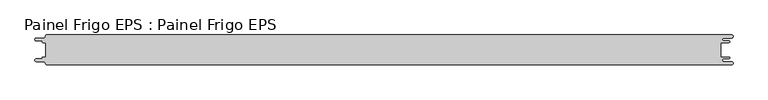
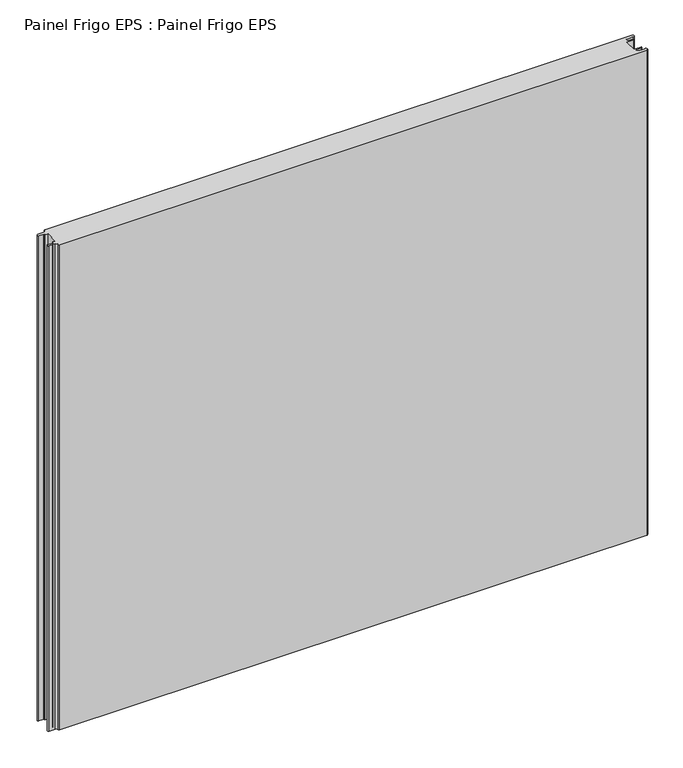
"""IFC4 building model written with IfcOpenShell, lengths in millimetres: proxy geometry, Painel Frigo EPS : Painel Frigo EPS."""

from ifc_helpers import new_model, si_unit, frame, origin, place, context, project, spatial, polyline, circle_curve, source, transform, mapped, element, save
from ifc_brep_helpers import plane_surface, cylinder_surface, revolved_surface, advanced_brep


def painel_frigo_eps_painel_frigo_eps_a2cb386f(model_context):
    return source(origin(), model_context, "Body", "AdvancedBrep", [
        advanced_brep(
        [(-579.5093748, -12.3, 1000.0), (-580.1093748, -12.9, 1000.0), (-580.1093748, -13.7085184, 1000.0), (-581.5093751, -15.1085187, 1000.0), (-590.4875, -15.1085187, 1000.0), (-590.4875, -19.5085185, 1000.0), (-578.471875, -19.5085185, 1000.0), (-574.921875, -23.0585185, 1000.0), (-572.971875, -25.0, 1000.0), (572.284375, -25.0, 1000.0), (572.284375, -19.725, 1000.0), (559.378125, -19.725, 1000.0), (559.378125, -14.875, 1000.0), (568.0406253, -14.875, 1000.0), (568.0406253, -12.3, 1000.0), (554.1906253, -12.3, 1000.0), (554.1906253, 12.3, 1000.0), (568.0406253, 12.3, 1000.0), (568.0406253, 14.875, 1000.0), (559.378125, 14.875, 1000.0), (559.378125, 19.725, 1000.0), (572.284375, 19.725, 1000.0), (572.284375, 25.0, 1000.0), (-572.971875, 25.0, 1000.0), (-574.921875, 23.05, 1000.0), (-578.471875, 19.5085185, 1000.0), (-590.4875, 19.5085185, 1000.0), (-590.4875, 15.1085185, 1000.0), (-581.5093753, 15.1085185, 1000.0), (-580.1093753, 13.7085185, 1000.0), (-580.1093753, 12.9, 1000.0), (-579.5093748, 12.2999995, 1000.0), (-574.2218362, 12.2999995, 1000.0), (-574.2218362, -12.3, 1000.0), (-579.5093748, -12.3, 0.0), (-574.2218362, -12.3, 0.0), (-574.2218362, 12.2999995, 0.0), (-579.5093748, 12.2999995, 0.0), (-580.1093753, 12.9, 0.0), (-580.1093753, 13.7085185, 0.0), (-581.5093753, 15.1085185, 0.0), (-590.4875, 15.1085185, 0.0), (-590.4875, 19.5085185, 0.0), (-578.471875, 19.5085185, 0.0), (-574.921875, 23.0585185, 0.0), (-572.971875, 25.0, 0.0), (572.284375, 25.0, 0.0), (572.284375, 19.725, 0.0), (559.378125, 19.725, 0.0), (559.378125, 14.875, 0.0), (568.0406253, 14.875, 0.0), (568.0406253, 12.3, 0.0), (554.1906253, 12.3, 0.0), (554.1906253, -12.3, 0.0), (568.0406253, -12.3, 0.0), (568.0406253, -14.875, 0.0), (559.378125, -14.875, 0.0), (559.378125, -19.725, 0.0), (572.284375, -19.725, 0.0), (572.284375, -25.0, 0.0), (-572.971875, -25.0, 0.0), (-574.921875, -23.05, 0.0), (-578.471875, -19.5085185, 0.0), (-590.4875, -19.5085185, 0.0), (-590.4875, -15.1085187, 0.0), (-581.5093751, -15.1085187, 0.0), (-580.1093748, -13.7085184, 0.0), (-580.1093748, -12.9, 0.0)],
        [
            (0, 1, circle_curve(frame((-579.5093748, -12.9, 1000.0), z_axis=(0.0, 0.0, 1.0), x_axis=(1.0, 0.0, 0.0)), 0.6)),
            (1, 2),
            (2, 3, circle_curve(frame((-581.5093751, -13.7085184, 1000.0), z_axis=(0.0, 0.0, -1.0), x_axis=(1.0, 0.0, 0.0)), 1.4000003)),
            (3, 4),
            (4, 5, circle_curve(frame((-590.4875, -17.3085186, 1000.0), z_axis=(0.0, 0.0, 1.0), x_axis=(1.0, 0.0, 0.0)), 2.1999999)),
            (5, 6),
            (6, 7, circle_curve(frame((-578.471875, -23.0585185, 1000.0), z_axis=(0.0, 0.0, -1.0), x_axis=(1.0, 0.0, 0.0)), 3.55)),
            (7, 8, circle_curve(frame((-572.971875, -23.05, 1000.0), z_axis=(0.0, 0.0, 1.0), x_axis=(1.0, 0.0, 0.0)), 1.95)),
            (8, 9),
            (9, 10, circle_curve(frame((572.284375, -22.3625, 1000.0), z_axis=(0.0, 0.0, 1.0), x_axis=(1.0, 0.0, 0.0)), 2.6375)),
            (10, 11),
            (11, 12, circle_curve(frame((559.378125, -17.3, 1000.0), z_axis=(0.0, 0.0, -1.0), x_axis=(1.0, 0.0, 0.0)), 2.425)),
            (12, 13),
            (13, 14, circle_curve(frame((568.0406253, -13.5875, 1000.0), z_axis=(0.0, 0.0, 1.0), x_axis=(1.0, 0.0, 0.0)), 1.2875)),
            (14, 15),
            (15, 16),
            (16, 17),
            (17, 18, circle_curve(frame((568.0406253, 13.5875, 1000.0), z_axis=(0.0, 0.0, 1.0), x_axis=(1.0, 0.0, 0.0)), 1.2875)),
            (18, 19),
            (19, 20, circle_curve(frame((559.378125, 17.3, 1000.0), z_axis=(0.0, 0.0, -1.0), x_axis=(1.0, 0.0, 0.0)), 2.425)),
            (20, 21),
            (21, 22, circle_curve(frame((572.284375, 22.3625, 1000.0), z_axis=(0.0, 0.0, 1.0), x_axis=(1.0, 0.0, 0.0)), 2.6375)),
            (22, 23),
            (23, 24, circle_curve(frame((-572.971875, 23.05, 1000.0), z_axis=(0.0, 0.0, 1.0), x_axis=(1.0, 0.0, 0.0)), 1.95)),
            (24, 25, circle_curve(frame((-578.471875, 23.0585185, 1000.0), z_axis=(0.0, 0.0, -1.0), x_axis=(1.0, 0.0, 0.0)), 3.55)),
            (25, 26),
            (26, 27, circle_curve(frame((-590.4875, 17.3085185, 1000.0), z_axis=(0.0, 0.0, 1.0), x_axis=(1.0, 0.0, 0.0)), 2.2)),
            (27, 28),
            (28, 29, circle_curve(frame((-581.5093753, 13.7085185, 1000.0), z_axis=(0.0, 0.0, -1.0), x_axis=(1.0, 0.0, 0.0)), 1.4)),
            (29, 30),
            (30, 31, circle_curve(frame((-579.5093748, 12.9, 1000.0), z_axis=(0.0, 0.0, 1.0), x_axis=(1.0, 0.0, 0.0)), 0.6000005)),
            (31, 32),
            (32, 33),
            (33, 0),
            (34, 35),
            (35, 36),
            (36, 37),
            (37, 38, circle_curve(frame((-579.5093748, 12.9, 0.0), z_axis=(0.0, 0.0, -1.0), x_axis=(1.0, 0.0, 0.0)), 0.6000005)),
            (38, 39),
            (39, 40, circle_curve(frame((-581.5093753, 13.7085185, 0.0), z_axis=(0.0, 0.0, 1.0), x_axis=(1.0, 0.0, 0.0)), 1.4)),
            (40, 41),
            (41, 42, circle_curve(frame((-590.4875, 17.3085185, 0.0), z_axis=(0.0, 0.0, -1.0), x_axis=(1.0, 0.0, 0.0)), 2.2)),
            (42, 43),
            (43, 44, circle_curve(frame((-578.471875, 23.0585185, 0.0), z_axis=(0.0, 0.0, 1.0), x_axis=(1.0, 0.0, 0.0)), 3.55)),
            (44, 45, circle_curve(frame((-572.971875, 23.05, 0.0), z_axis=(0.0, 0.0, -1.0), x_axis=(1.0, 0.0, 0.0)), 1.95)),
            (45, 46),
            (46, 47, circle_curve(frame((572.284375, 22.3625, 0.0), z_axis=(0.0, 0.0, -1.0), x_axis=(1.0, 0.0, 0.0)), 2.6375)),
            (47, 48),
            (48, 49, circle_curve(frame((559.378125, 17.3, 0.0), z_axis=(0.0, 0.0, 1.0), x_axis=(1.0, 0.0, 0.0)), 2.425)),
            (49, 50),
            (50, 51, circle_curve(frame((568.0406253, 13.5875, 0.0), z_axis=(0.0, 0.0, -1.0), x_axis=(1.0, 0.0, 0.0)), 1.2875)),
            (51, 52),
            (52, 53),
            (53, 54),
            (54, 55, circle_curve(frame((568.0406253, -13.5875, 0.0), z_axis=(0.0, 0.0, -1.0), x_axis=(1.0, 0.0, 0.0)), 1.2875)),
            (55, 56),
            (56, 57, circle_curve(frame((559.378125, -17.3, 0.0), z_axis=(0.0, 0.0, 1.0), x_axis=(1.0, 0.0, 0.0)), 2.425)),
            (57, 58),
            (58, 59, circle_curve(frame((572.284375, -22.3625, 0.0), z_axis=(0.0, 0.0, -1.0), x_axis=(1.0, 0.0, 0.0)), 2.6375)),
            (59, 60),
            (60, 61, circle_curve(frame((-572.971875, -23.05, 0.0), z_axis=(0.0, 0.0, -1.0), x_axis=(1.0, 0.0, 0.0)), 1.95)),
            (61, 62, circle_curve(frame((-578.471875, -23.0585185, 0.0), z_axis=(0.0, 0.0, 1.0), x_axis=(1.0, 0.0, 0.0)), 3.55)),
            (62, 63),
            (63, 64, circle_curve(frame((-590.4875, -17.3085186, 0.0), z_axis=(0.0, 0.0, -1.0), x_axis=(1.0, 0.0, 0.0)), 2.1999999)),
            (64, 65),
            (65, 66, circle_curve(frame((-581.5093751, -13.7085184, 0.0), z_axis=(0.0, 0.0, 1.0), x_axis=(1.0, 0.0, 0.0)), 1.4000003)),
            (66, 67),
            (67, 34, circle_curve(frame((-579.5093748, -12.9, 0.0), z_axis=(0.0, 0.0, -1.0), x_axis=(1.0, 0.0, 0.0)), 0.6)),
            (22, 46),
            (45, 23),
            (8, 60),
            (59, 9),
            (33, 35),
            (34, 0),
            (32, 36),
            (31, 37),
            (30, 38),
            (29, 39),
            (28, 40),
            (27, 41),
            (26, 42),
            (25, 43),
            (24, 44),
            (15, 53),
            (52, 16),
            (14, 54),
            (13, 55),
            (12, 56),
            (11, 57),
            (10, 58),
            (7, 61),
            (6, 62),
            (5, 63),
            (4, 64),
            (3, 65),
            (2, 66),
            (1, 67),
            (21, 47),
            (20, 48),
            (19, 49),
            (18, 50),
            (17, 51),
        ],
        [
            plane_surface(frame((-574.2218362, -12.3, 1000.0), z_axis=(0.0, 0.0, 1.0), x_axis=(1.0, 0.0, 0.0))),
            plane_surface(frame((-574.2218362, -12.3, 0.0), z_axis=(0.0, 0.0, -1.0), x_axis=(-1.0, 0.0, 0.0))),
            plane_surface(frame((-572.971875, 25.0, 1000.0), z_axis=(0.0, 1.0, 0.0), x_axis=(0.0, 0.0, -1.0))),
            plane_surface(frame((572.284375, -25.0, 1000.0), z_axis=(0.0, -1.0, 0.0), x_axis=(0.0, 0.0, -1.0))),
            plane_surface(frame((-579.5093748, -12.3, 1000.0), z_axis=(0.0, 1.0, 0.0), x_axis=(0.0, 0.0, -1.0))),
            plane_surface(frame((-574.2218362, -12.3, 1000.0), z_axis=(-1.0, 0.0, 0.0), x_axis=(0.0, 0.0, -1.0))),
            plane_surface(frame((-574.2218362, 12.2999995, 1000.0), z_axis=(0.0, -1.0, 0.0), x_axis=(0.0, 0.0, -1.0))),
            cylinder_surface(frame((-579.5093748, 12.9, 0.0), z_axis=(0.0, 0.0, 1.0), x_axis=(1.0, 0.0, 0.0)), 0.6000005),
            plane_surface(frame((-580.1093753, 12.9, 1000.0), z_axis=(-1.0, -1.757860866232943e-12, 0.0), x_axis=(0.0, 0.0, -1.0))),
            revolved_surface(polyline([(-580.1093753, 13.7085185, 0.0), (-580.1093753, 13.7085185, 1000.0)]), (-581.5093753, 13.7085185, 0.0), (0.0, 0.0, -1.0)),
            plane_surface(frame((-581.5093753, 15.1085185, 1000.0), z_axis=(0.0, -1.0, 0.0), x_axis=(0.0, 0.0, -1.0))),
            cylinder_surface(frame((-590.4875, 17.3085185, 0.0), z_axis=(0.0, 0.0, 1.0), x_axis=(1.0, 0.0, 0.0)), 2.2),
            plane_surface(frame((-590.4875, 19.5085185, 1000.0), z_axis=(0.0, 1.0, 0.0), x_axis=(0.0, 0.0, -1.0))),
            revolved_surface(polyline([(-574.921875, 23.0585185, 0.0), (-574.921875, 23.0585185, 1000.0)]), (-578.471875, 23.0585185, 0.0), (0.0, 0.0, -1.0)),
            cylinder_surface(frame((-572.971875, 23.05, 0.0), z_axis=(0.0, 0.0, 1.0), x_axis=(1.0, 0.0, 0.0)), 1.95),
            plane_surface(frame((554.1906253, 12.3, 1000.0), z_axis=(1.0, 0.0, 0.0), x_axis=(0.0, 0.0, -1.0))),
            plane_surface(frame((554.1906253, -12.3, 1000.0), z_axis=(0.0, 1.0, 0.0), x_axis=(0.0, 0.0, -1.0))),
            cylinder_surface(frame((568.0406253, -13.5875, 0.0), z_axis=(0.0, 0.0, 1.0), x_axis=(1.0, 0.0, 0.0)), 1.2875),
            plane_surface(frame((568.0406253, -14.875, 1000.0), z_axis=(0.0, -1.0, 0.0), x_axis=(0.0, 0.0, -1.0))),
            revolved_surface(polyline([(561.8031249999999, -17.3, 0.0), (561.8031249999999, -17.3, 1000.0)]), (559.378125, -17.3, 0.0), (0.0, 0.0, -1.0)),
            plane_surface(frame((559.378125, -19.725, 1000.0), z_axis=(0.0, 1.0, 0.0), x_axis=(0.0, 0.0, -1.0))),
            cylinder_surface(frame((572.284375, -22.3625, 0.0), z_axis=(0.0, 0.0, 1.0), x_axis=(1.0, 0.0, 0.0)), 2.6375),
            cylinder_surface(frame((-572.971875, -23.05, 0.0), z_axis=(0.0, 0.0, 1.0), x_axis=(1.0, 0.0, 0.0)), 1.95),
            revolved_surface(polyline([(-574.921875, -23.0585185, 0.0), (-574.921875, -23.0585185, 1000.0)]), (-578.471875, -23.0585185, 0.0), (0.0, 0.0, -1.0)),
            plane_surface(frame((-578.471875, -19.5085185, 1000.0), z_axis=(0.0, -1.0, 0.0), x_axis=(0.0, 0.0, -1.0))),
            cylinder_surface(frame((-590.4875, -17.3085186, 0.0), z_axis=(0.0, 0.0, 1.0), x_axis=(1.0, 0.0, 0.0)), 2.1999999),
            plane_surface(frame((-590.4875, -15.1085187, 1000.0), z_axis=(0.0, 1.0, 0.0), x_axis=(0.0, 0.0, -1.0))),
            revolved_surface(polyline([(-580.1093748000001, -13.7085184, 0.0), (-580.1093748000001, -13.7085184, 1000.0)]), (-581.5093751, -13.7085184, 0.0), (0.0, 0.0, -1.0)),
            plane_surface(frame((-580.1093748, -13.7085184, 1000.0), z_axis=(-1.0, 0.0, 0.0), x_axis=(0.0, 0.0, -1.0))),
            cylinder_surface(frame((-579.5093748, -12.9, 0.0), z_axis=(0.0, 0.0, 1.0), x_axis=(1.0, 0.0, 0.0)), 0.6),
            cylinder_surface(frame((572.284375, 22.3625, 0.0), z_axis=(0.0, 0.0, 1.0), x_axis=(1.0, 0.0, 0.0)), 2.6375),
            plane_surface(frame((572.284375, 19.725, 1000.0), z_axis=(0.0, -1.0, 0.0), x_axis=(0.0, 0.0, -1.0))),
            revolved_surface(polyline([(561.8031249999999, 17.3, 0.0), (561.8031249999999, 17.3, 1000.0)]), (559.378125, 17.3, 0.0), (0.0, 0.0, -1.0)),
            plane_surface(frame((559.378125, 14.875, 1000.0), z_axis=(0.0, 1.0, 0.0), x_axis=(0.0, 0.0, -1.0))),
            cylinder_surface(frame((568.0406253, 13.5875, 0.0), z_axis=(0.0, 0.0, 1.0), x_axis=(1.0, 0.0, 0.0)), 1.2875),
            plane_surface(frame((568.0406253, 12.3, 1000.0), z_axis=(0.0, -1.0, 0.0), x_axis=(0.0, 0.0, -1.0))),
        ],
        [
            (0, [[1, 2, 3, 4, 5, 6, 7, 8, 9, 10, 11, 12, 13, 14, 15, 16, 17, 18, 19, 20, 21, 22, 23, 24, 25, 26, 27, 28, 29, 30, 31, 32, 33, 34]]),
            (1, [[35, 36, 37, 38, 39, 40, 41, 42, 43, 44, 45, 46, 47, 48, 49, 50, 51, 52, 53, 54, 55, 56, 57, 58, 59, 60, 61, 62, 63, 64, 65, 66, 67, 68]]),
            (2, [[69, -46, 70, -23]]),
            (3, [[71, -60, 72, -9]]),
            (4, [[73, -35, 74, -34]]),
            (5, [[75, -36, -73, -33]]),
            (6, [[76, -37, -75, -32]]),
            (7, [[77, -38, -76, -31]]),
            (8, [[78, -39, -77, -30]]),
            (9, [[79, -40, -78, -29]]),
            (10, [[80, -41, -79, -28]]),
            (11, [[81, -42, -80, -27]]),
            (12, [[82, -43, -81, -26]]),
            (13, [[83, -44, -82, -25]]),
            (14, [[-70, -45, -83, -24]]),
            (15, [[84, -53, 85, -16]]),
            (16, [[86, -54, -84, -15]]),
            (17, [[87, -55, -86, -14]]),
            (18, [[88, -56, -87, -13]]),
            (19, [[89, -57, -88, -12]]),
            (20, [[90, -58, -89, -11]]),
            (21, [[-72, -59, -90, -10]]),
            (22, [[91, -61, -71, -8]]),
            (23, [[92, -62, -91, -7]]),
            (24, [[93, -63, -92, -6]]),
            (25, [[94, -64, -93, -5]]),
            (26, [[95, -65, -94, -4]]),
            (27, [[96, -66, -95, -3]]),
            (28, [[97, -67, -96, -2]]),
            (29, [[-74, -68, -97, -1]]),
            (30, [[98, -47, -69, -22]]),
            (31, [[99, -48, -98, -21]]),
            (32, [[100, -49, -99, -20]]),
            (33, [[101, -50, -100, -19]]),
            (34, [[102, -51, -101, -18]]),
            (35, [[-85, -52, -102, -17]]),
        ],
    ),
    ])


if __name__ == "__main__":
    model = new_model("IFC4")
    model_context = context("Model", 3, world=origin())
    ifc_project = project(units=[si_unit("LENGTHUNIT", "METRE", prefix="MILLI")], contexts=[model_context])
    site = spatial("IfcSite", under=ifc_project)
    building = spatial("IfcBuilding", under=site)
    placement = place(None, origin())
    painel_frigo_eps_painel_frigo_eps_shape = painel_frigo_eps_painel_frigo_eps_a2cb386f(model_context)
    element("IfcBuildingElementProxy", 1, Name="Painel Frigo EPS : Painel Frigo EPS", ObjectType="Painel Frigo EPS : Painel Frigo EPS", at=placement, inside=building, context=model_context, shape_type="MappedRepresentation", body=[
        mapped(painel_frigo_eps_painel_frigo_eps_shape, transform((0.0, 0.0, 0.0), x_axis=(1.0, 0.0, 0.0), y_axis=(0.0, 1.0, 0.0), z_axis=(0.0, 0.0, 1.0))),
    ])
    save(model, "model.ifc")
